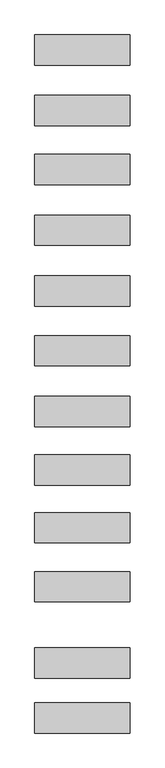
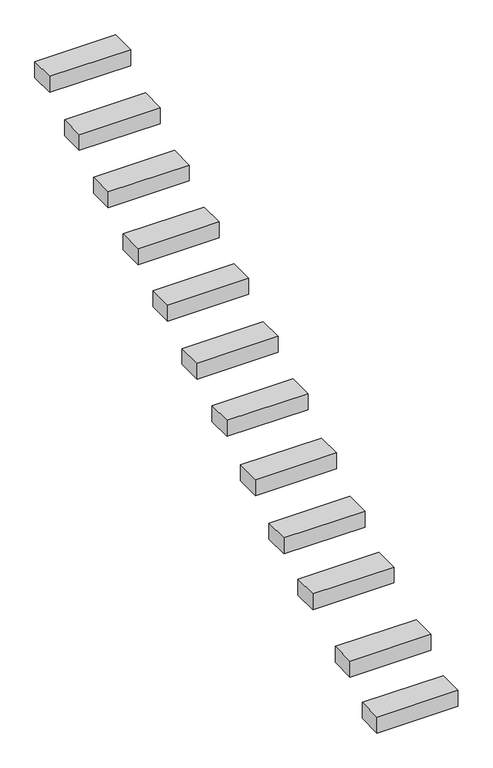
"""IFC4 building model written with IfcOpenShell, lengths in millimetres: proxy geometry."""

from ifc_helpers import new_model, si_unit, frame, origin, place, context, project, spatial, polyline, outline, extrude, source, transform, mapped, element, save


def generic_models_a5bd8ff4(model_context):
    return source(origin(), model_context, "Body", "SweptSolid", [
        extrude(outline(polyline([(-600.0, -1323.4331615), (600.0, -1323.4331615), (600.0, -1703.4331615), (-600.0, -1703.4331615), (-600.0, -1323.4331615)])), frame((0.0, 0.0, -376.9741078), z_axis=(0.0, 0.0, 1.0), x_axis=(1.0, 0.0, 0.0)), (0.0, 0.0, 1.0), 250.0),
        extrude(outline(polyline([(-600.0, -2084.4791977), (600.0, -2084.4791977), (600.0, -2464.4791977), (-600.0, -2464.4791977), (-600.0, -2084.4791977)])), frame((0.0, 0.0, -825.5428283), z_axis=(0.0, 0.0, 1.0), x_axis=(1.0, 0.0, 0.0)), (0.0, 0.0, 1.0), 250.0),
        extrude(outline(polyline([(-600.0, -2828.9807548), (600.0, -2828.9807548), (600.0, -3208.9807548), (-600.0, -3208.9807548), (-600.0, -2828.9807548)])), frame((0.0, 0.0, -1272.2272113), z_axis=(0.0, 0.0, 1.0), x_axis=(1.0, 0.0, 0.0)), (0.0, 0.0, 1.0), 250.0),
        extrude(outline(polyline([(-600.0, -3594.1157316), (600.0, -3594.1157316), (600.0, -3974.1157316), (-600.0, -3974.1157316), (-600.0, -3594.1157316)])), frame((0.0, 0.0, -1698.2432906), z_axis=(0.0, 0.0, 1.0), x_axis=(1.0, 0.0, 0.0)), (0.0, 0.0, 1.0), 250.0),
        extrude(outline(polyline([(-600.0, -4357.2770067), (600.0, -4357.2770067), (600.0, -4737.2770067), (-600.0, -4737.2770067), (-600.0, -4357.2770067)])), frame((0.0, 0.0, -2123.3720677), z_axis=(0.0, 0.0, 1.0), x_axis=(1.0, 0.0, 0.0)), (0.0, 0.0, 1.0), 250.0),
        extrude(outline(polyline([(-600.0, -5111.6845344), (600.0, -5111.6845344), (600.0, -5491.6845344), (-600.0, -5491.6845344), (-600.0, -5111.6845344)])), frame((0.0, 0.0, -2573.0516969), z_axis=(0.0, 0.0, 1.0), x_axis=(1.0, 0.0, 0.0)), (0.0, 0.0, 1.0), 250.0),
        extrude(outline(polyline([(-600.0, -5875.2329593), (600.0, -5875.2329593), (600.0, -6255.2329593), (-600.0, -6255.2329593), (-600.0, -5875.2329593)])), frame((0.0, 0.0, -3006.999737), z_axis=(0.0, 0.0, 1.0), x_axis=(1.0, 0.0, 0.0)), (0.0, 0.0, 1.0), 250.0),
        extrude(outline(polyline([(-600.0, -6611.8025762), (600.0, -6611.8025762), (600.0, -6991.8025762), (-600.0, -6991.8025762), (-600.0, -6611.8025762)])), frame((0.0, 0.0, -3487.4652282), z_axis=(0.0, 0.0, 1.0), x_axis=(1.0, 0.0, 0.0)), (0.0, 0.0, 1.0), 250.0),
        extrude(outline(polyline([(-600.0, -7340.0999537), (600.0, -7340.0999537), (600.0, -7720.0999537), (-600.0, -7720.0999537), (-600.0, -7340.0999537)])), frame((0.0, 0.0, -3958.2977782), z_axis=(0.0, 0.0, 1.0), x_axis=(1.0, 0.0, 0.0)), (0.0, 0.0, 1.0), 250.0),
        extrude(outline(polyline([(-600.0, -8083.920912), (600.0, -8083.920912), (600.0, -8463.920912), (-600.0, -8463.920912), (-600.0, -8083.920912)])), frame((0.0, 0.0, -4384.3138575), z_axis=(0.0, 0.0, 1.0), x_axis=(1.0, 0.0, 0.0)), (0.0, 0.0, 1.0), 250.0),
        extrude(outline(polyline([(-600.0, -9042.763573), (600.0, -9042.763573), (600.0, -9422.763573), (-600.0, -9422.763573), (-600.0, -9042.763573)])), frame((0.0, 0.0, -4856.8464343), z_axis=(0.0, 0.0, 1.0), x_axis=(1.0, 0.0, 0.0)), (0.0, 0.0, 1.0), 250.0),
        extrude(outline(polyline([(-600.0, -9734.7456964), (600.0, -9734.7456964), (600.0, -10114.7456964), (-600.0, -10114.7456964), (-600.0, -9734.7456964)])), frame((0.0, 0.0, -5314.9305528), z_axis=(0.0, 0.0, 1.0), x_axis=(1.0, 0.0, 0.0)), (0.0, 0.0, 1.0), 250.0),
    ])


if __name__ == "__main__":
    model = new_model("IFC4")
    model_context = context("Model", 3, world=origin())
    ifc_project = project(units=[si_unit("LENGTHUNIT", "METRE", prefix="MILLI")], contexts=[model_context])
    site = spatial("IfcSite", under=ifc_project)
    building = spatial("IfcBuilding", under=site)
    placement = place(None, origin())
    generic_models_shape = generic_models_a5bd8ff4(model_context)
    element("IfcBuildingElementProxy", 1, Name="Generic Models", at=placement, inside=building, context=model_context, shape_type="MappedRepresentation", body=[
        mapped(generic_models_shape, transform((0.0, 0.0, 0.0), x_axis=(1.0, 0.0, 0.0), y_axis=(0.0, 1.0, 0.0), z_axis=(0.0, 0.0, 1.0))),
    ])
    save(model, "model.ifc")
